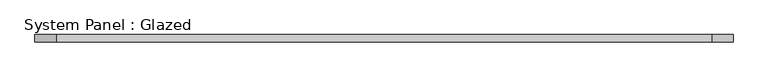
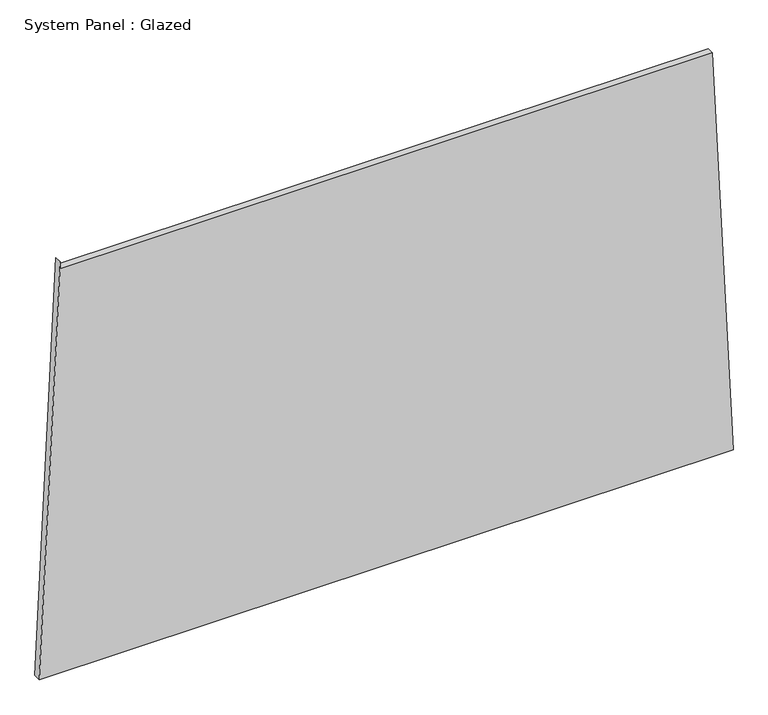
"""IFC4 building model written with IfcOpenShell, lengths in millimetres: plate geometry, System Panel : Glazed."""

from ifc_helpers import new_model, si_unit, frame, origin, place, context, project, spatial, polyline, outline, extrude, source, transform, mapped, element, save


def system_panel_glazed_78bddecb(model_context):
    return source(origin(), model_context, "Body", "SweptSolid", [
        extrude(outline(polyline([(0.0, -1177.3624342), (0.0, 1177.3624342), (1448.2420223, 1107.1854668), (1448.241727, -1105.9703705), (1473.241727, -1105.9703738), (0.0, -1177.3624342)])), frame((0.0, -49.5, 0.0), z_axis=(0.0, 1.0, 0.0), x_axis=(0.0, 0.0, 1.0)), (0.0, 0.0, 1.0), 25.0),
    ])


if __name__ == "__main__":
    model = new_model("IFC4")
    model_context = context("Model", 3, world=origin())
    ifc_project = project(units=[si_unit("LENGTHUNIT", "METRE", prefix="MILLI")], contexts=[model_context])
    site = spatial("IfcSite", under=ifc_project)
    building = spatial("IfcBuilding", under=site)
    placement = place(None, origin())
    system_panel_glazed_shape = system_panel_glazed_78bddecb(model_context)
    element("IfcPlate", 1, ObjectType="System Panel : Glazed", at=placement, inside=building, context=model_context, shape_type="MappedRepresentation", body=[
        mapped(system_panel_glazed_shape, transform((0.0, 0.0, 0.0), x_axis=(1.0, 0.0, 0.0), y_axis=(0.0, 1.0, 0.0), z_axis=(0.0, 0.0, 1.0))),
    ])
    save(model, "model.ifc")
